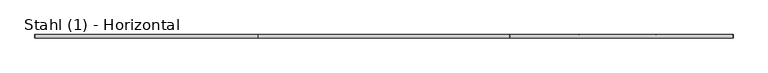
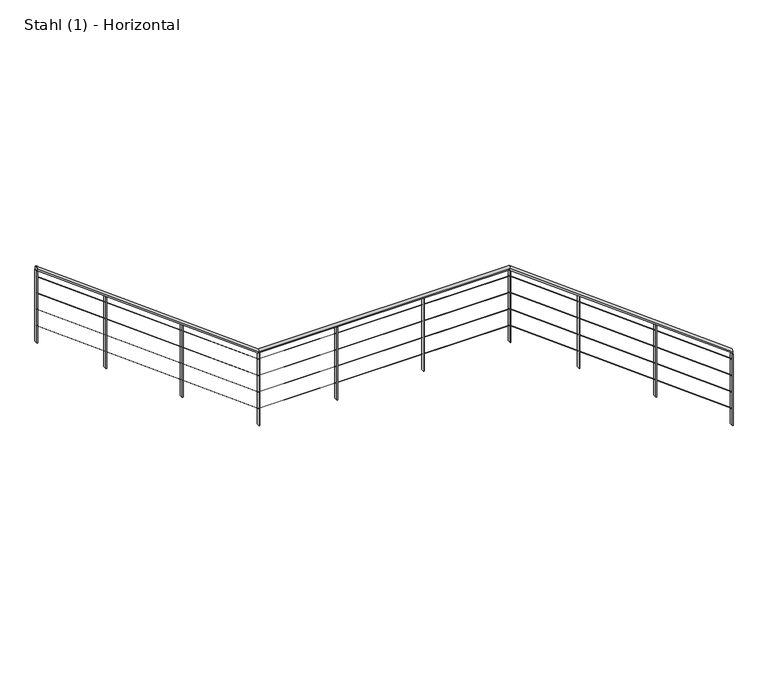
"""IFC4 building model written with IfcOpenShell, lengths in millimetres: railing geometry, Stahl (1) - Horizontal."""

from ifc_helpers import new_model, si_unit, frame, origin, place, context, project, spatial, polyline, ellipse_curve, outline, extrude, source, transform, mapped, element, save
from ifc_brep_helpers import plane_surface, cylinder_surface, advanced_brep


def stahl_1_horizontal_51c3df2b(model_context):
    return source(origin(), model_context, "Body", "SolidModel", [
        advanced_brep(
        [(5557.7095454, 6533.8929131, 4785.0587002), (5557.7095454, 6573.8929131, 4785.0587002), (3001.0778009, 6533.8929131, 6690.0), (3001.0778009, 6573.8929131, 6690.0), (115.8397057, 6533.8929131, 6690.0), (115.8397057, 6573.8929131, 6690.0), (-2427.5285499, 6533.8929131, 8585.0587002), (-2427.5285499, 6573.8929131, 8585.0587002)],
        [
            (0, 1, ellipse_curve(frame((5557.7095454, 6553.8929131, 4785.0587002), z_axis=(1.0, 0.0, 0.0), x_axis=(0.0, 0.0, -1.0)), 24.9412998, 20.0)),
            (1, 0, ellipse_curve(frame((5557.7095454, 6553.8929131, 4785.0587002), z_axis=(1.0, 0.0, 0.0), x_axis=(0.0, 0.0, -1.0)), 24.9412998, 20.0)),
            (0, 2),
            (2, 3, ellipse_curve(frame((3001.0778009, 6553.8929131, 6690.0), z_axis=(0.9491793370099771, 0.0, -0.3147357402541066), x_axis=(-0.3147357402541072, 0.0, -0.9491793370099768)), 21.0708337, 20.0)),
            (3, 1),
            (3, 2, ellipse_curve(frame((3001.0778009, 6553.8929131, 6690.0), z_axis=(0.9491793370099771, 0.0, -0.3147357402541066), x_axis=(-0.3147357402541072, 0.0, -0.9491793370099768)), 21.0708337, 20.0)),
            (2, 4),
            (4, 5, ellipse_curve(frame((115.8397057, 6553.8929131, 6690.0), z_axis=(0.9491793370099769, 0.0, -0.3147357402541066), x_axis=(0.31473574025410717, 0.0, 0.9491793370099768)), 21.0708337, 20.0)),
            (5, 3),
            (5, 4, ellipse_curve(frame((115.8397057, 6553.8929131, 6690.0), z_axis=(0.9491793370099769, 0.0, -0.3147357402541066), x_axis=(0.31473574025410717, 0.0, 0.9491793370099768)), 21.0708337, 20.0)),
            (6, 7, ellipse_curve(frame((-2427.5285499, 6553.8929131, 8585.0587002), z_axis=(-1.0, 0.0, 0.0), x_axis=(0.0, 0.0, -1.0)), 24.9412998, 20.0)),
            (7, 6, ellipse_curve(frame((-2427.5285499, 6553.8929131, 8585.0587002), z_axis=(-1.0, 0.0, 0.0), x_axis=(0.0, 0.0, -1.0)), 24.9412998, 20.0)),
            (4, 6),
            (7, 5),
        ],
        [
            plane_surface(frame((5557.7095454, 6553.8929131, 4810.0), z_axis=(1.0, 0.0, 0.0), x_axis=(0.0, -1.0, 0.0))),
            cylinder_surface(frame((5545.7599189, 6553.8929131, 4793.9623434), z_axis=(0.8018828276133991, 0.0, -0.5974813225354745), x_axis=(0.0, 1.0, 0.0)), 20.0),
            cylinder_surface(frame((3007.7095454, 6553.8929131, 6690.0), z_axis=(1.0, 0.0, 0.0), x_axis=(0.0, 1.0, 0.0)), 20.0),
            plane_surface(frame((-2427.5285499, 6553.8929131, 8610.0), z_axis=(-1.0, 0.0, 0.0), x_axis=(0.0, -1.0, 0.0))),
            cylinder_surface(frame((110.5218237, 6553.8929131, 6693.9623434), z_axis=(0.8018828276133991, 0.0, -0.5974813225354746), x_axis=(0.0, 1.0, 0.0)), 20.0),
        ],
        [
            (0, [[1, 2]]),
            (1, [[-1, 3, 4, 5]]),
            (1, [[-2, -5, 6, -3]]),
            (2, [[-4, 7, 8, 9]]),
            (2, [[-6, -9, 10, -7]]),
            (3, [[11, 12]]),
            (4, [[-8, 13, -12, 14]]),
            (4, [[-10, -14, -11, -13]]),
        ],
    ),
        advanced_brep(
        [(5557.7095454, 6552.3929131, 4688.1294025), (5557.7095454, 6555.3929131, 4688.1294025), (3007.2121645, 6552.3929131, 6588.5), (3007.2121645, 6555.3929131, 6588.5), (121.9740693, 6552.3929131, 6588.5), (121.9740693, 6555.3929131, 6588.5), (-2427.5285499, 6552.3929131, 8488.1294025), (-2427.5285499, 6555.3929131, 8488.1294025)],
        [
            (0, 1, ellipse_curve(frame((5557.7095454, 6553.8929131, 4688.1294025), z_axis=(1.0, 0.0, 0.0), x_axis=(0.0, 0.0, -1.0)), 1.8705975, 1.5)),
            (1, 0, ellipse_curve(frame((5557.7095454, 6553.8929131, 4688.1294025), z_axis=(1.0, 0.0, 0.0), x_axis=(0.0, 0.0, -1.0)), 1.8705975, 1.5)),
            (0, 2),
            (2, 3, ellipse_curve(frame((3007.2121645, 6553.8929131, 6588.5), z_axis=(0.9491793370099771, 0.0, -0.3147357402541066), x_axis=(-0.3147357402541072, 0.0, -0.9491793370099768)), 1.5803125, 1.5)),
            (3, 1),
            (3, 2, ellipse_curve(frame((3007.2121645, 6553.8929131, 6588.5), z_axis=(0.9491793370099771, 0.0, -0.3147357402541066), x_axis=(-0.3147357402541072, 0.0, -0.9491793370099768)), 1.5803125, 1.5)),
            (2, 4),
            (4, 5, ellipse_curve(frame((121.9740693, 6553.8929131, 6588.5), z_axis=(0.9491793370099769, 0.0, -0.3147357402541066), x_axis=(0.31473574025410717, 0.0, 0.9491793370099768)), 1.5803125, 1.5)),
            (5, 3),
            (5, 4, ellipse_curve(frame((121.9740693, 6553.8929131, 6588.5), z_axis=(0.9491793370099769, 0.0, -0.3147357402541066), x_axis=(0.31473574025410717, 0.0, 0.9491793370099768)), 1.5803125, 1.5)),
            (6, 7, ellipse_curve(frame((-2427.5285499, 6553.8929131, 8488.1294025), z_axis=(-1.0, 0.0, 0.0), x_axis=(0.0, 0.0, -1.0)), 1.8705975, 1.5)),
            (7, 6, ellipse_curve(frame((-2427.5285499, 6553.8929131, 8488.1294025), z_axis=(-1.0, 0.0, 0.0), x_axis=(0.0, 0.0, -1.0)), 1.8705975, 1.5)),
            (4, 6),
            (7, 5),
        ],
        [
            plane_surface(frame((5557.7095454, 6553.8929131, 4690.0), z_axis=(1.0, 0.0, 0.0), x_axis=(0.0, -1.0, 0.0))),
            cylinder_surface(frame((5556.8133234, 6553.8929131, 4688.7971758), z_axis=(0.8018828276133991, 0.0, -0.5974813225354745), x_axis=(0.0, 1.0, 0.0)), 1.5),
            cylinder_surface(frame((3007.7095454, 6553.8929131, 6588.5), z_axis=(1.0, 0.0, 0.0), x_axis=(0.0, 1.0, 0.0)), 1.5),
            plane_surface(frame((-2427.5285499, 6553.8929131, 8490.0), z_axis=(-1.0, 0.0, 0.0), x_axis=(0.0, -1.0, 0.0))),
            cylinder_surface(frame((121.5752281, 6553.8929131, 6588.7971758), z_axis=(0.8018828276133991, 0.0, -0.5974813225354746), x_axis=(0.0, 1.0, 0.0)), 1.5),
        ],
        [
            (0, [[1, 2]]),
            (1, [[-1, 3, 4, 5]]),
            (1, [[-2, -5, 6, -3]]),
            (2, [[-4, 7, 8, 9]]),
            (2, [[-6, -9, 10, -7]]),
            (3, [[11, 12]]),
            (4, [[-8, 13, -12, 14]]),
            (4, [[-10, -14, -11, -13]]),
        ],
    ),
        advanced_brep(
        [(5557.7095454, 6552.3929131, 4488.1294025), (5557.7095454, 6555.3929131, 4488.1294025), (3007.2121645, 6552.3929131, 6388.5), (3007.2121645, 6555.3929131, 6388.5), (121.9740693, 6552.3929131, 6388.5), (121.9740693, 6555.3929131, 6388.5), (-2427.5285499, 6552.3929131, 8288.1294025), (-2427.5285499, 6555.3929131, 8288.1294025)],
        [
            (0, 1, ellipse_curve(frame((5557.7095454, 6553.8929131, 4488.1294025), z_axis=(1.0, 0.0, 0.0), x_axis=(0.0, 0.0, -1.0)), 1.8705975, 1.5)),
            (1, 0, ellipse_curve(frame((5557.7095454, 6553.8929131, 4488.1294025), z_axis=(1.0, 0.0, 0.0), x_axis=(0.0, 0.0, -1.0)), 1.8705975, 1.5)),
            (0, 2),
            (2, 3, ellipse_curve(frame((3007.2121645, 6553.8929131, 6388.5), z_axis=(0.9491793370099771, 0.0, -0.3147357402541066), x_axis=(-0.3147357402541072, 0.0, -0.9491793370099768)), 1.5803125, 1.5)),
            (3, 1),
            (3, 2, ellipse_curve(frame((3007.2121645, 6553.8929131, 6388.5), z_axis=(0.9491793370099771, 0.0, -0.3147357402541066), x_axis=(-0.3147357402541072, 0.0, -0.9491793370099768)), 1.5803125, 1.5)),
            (2, 4),
            (4, 5, ellipse_curve(frame((121.9740693, 6553.8929131, 6388.5), z_axis=(0.9491793370099769, 0.0, -0.3147357402541066), x_axis=(0.31473574025410717, 0.0, 0.9491793370099768)), 1.5803125, 1.5)),
            (5, 3),
            (5, 4, ellipse_curve(frame((121.9740693, 6553.8929131, 6388.5), z_axis=(0.9491793370099769, 0.0, -0.3147357402541066), x_axis=(0.31473574025410717, 0.0, 0.9491793370099768)), 1.5803125, 1.5)),
            (6, 7, ellipse_curve(frame((-2427.5285499, 6553.8929131, 8288.1294025), z_axis=(-1.0, 0.0, 0.0), x_axis=(0.0, 0.0, -1.0)), 1.8705975, 1.5)),
            (7, 6, ellipse_curve(frame((-2427.5285499, 6553.8929131, 8288.1294025), z_axis=(-1.0, 0.0, 0.0), x_axis=(0.0, 0.0, -1.0)), 1.8705975, 1.5)),
            (4, 6),
            (7, 5),
        ],
        [
            plane_surface(frame((5557.7095454, 6553.8929131, 4490.0), z_axis=(1.0, 0.0, 0.0), x_axis=(0.0, -1.0, 0.0))),
            cylinder_surface(frame((5556.8133234, 6553.8929131, 4488.7971758), z_axis=(0.8018828276133991, 0.0, -0.5974813225354745), x_axis=(0.0, 1.0, 0.0)), 1.5),
            cylinder_surface(frame((3007.7095454, 6553.8929131, 6388.5), z_axis=(1.0, 0.0, 0.0), x_axis=(0.0, 1.0, 0.0)), 1.5),
            plane_surface(frame((-2427.5285499, 6553.8929131, 8290.0), z_axis=(-1.0, 0.0, 0.0), x_axis=(0.0, -1.0, 0.0))),
            cylinder_surface(frame((121.5752281, 6553.8929131, 6388.7971758), z_axis=(0.8018828276133991, 0.0, -0.5974813225354746), x_axis=(0.0, 1.0, 0.0)), 1.5),
        ],
        [
            (0, [[1, 2]]),
            (1, [[-1, 3, 4, 5]]),
            (1, [[-2, -5, 6, -3]]),
            (2, [[-4, 7, 8, 9]]),
            (2, [[-6, -9, 10, -7]]),
            (3, [[11, 12]]),
            (4, [[-8, 13, -12, 14]]),
            (4, [[-10, -14, -11, -13]]),
        ],
    ),
        advanced_brep(
        [(5557.7095454, 6552.3929131, 4288.1294025), (5557.7095454, 6555.3929131, 4288.1294025), (3007.2121645, 6552.3929131, 6188.5), (3007.2121645, 6555.3929131, 6188.5), (121.9740693, 6552.3929131, 6188.5), (121.9740693, 6555.3929131, 6188.5), (-2427.5285499, 6552.3929131, 8088.1294025), (-2427.5285499, 6555.3929131, 8088.1294025)],
        [
            (0, 1, ellipse_curve(frame((5557.7095454, 6553.8929131, 4288.1294025), z_axis=(1.0, 0.0, 0.0), x_axis=(0.0, 0.0, -1.0)), 1.8705975, 1.5)),
            (1, 0, ellipse_curve(frame((5557.7095454, 6553.8929131, 4288.1294025), z_axis=(1.0, 0.0, 0.0), x_axis=(0.0, 0.0, -1.0)), 1.8705975, 1.5)),
            (0, 2),
            (2, 3, ellipse_curve(frame((3007.2121645, 6553.8929131, 6188.5), z_axis=(0.9491793370099771, 0.0, -0.3147357402541066), x_axis=(-0.3147357402541072, 0.0, -0.9491793370099768)), 1.5803125, 1.5)),
            (3, 1),
            (3, 2, ellipse_curve(frame((3007.2121645, 6553.8929131, 6188.5), z_axis=(0.9491793370099771, 0.0, -0.3147357402541066), x_axis=(-0.3147357402541072, 0.0, -0.9491793370099768)), 1.5803125, 1.5)),
            (2, 4),
            (4, 5, ellipse_curve(frame((121.9740693, 6553.8929131, 6188.5), z_axis=(0.9491793370099769, 0.0, -0.3147357402541066), x_axis=(0.31473574025410717, 0.0, 0.9491793370099768)), 1.5803125, 1.5)),
            (5, 3),
            (5, 4, ellipse_curve(frame((121.9740693, 6553.8929131, 6188.5), z_axis=(0.9491793370099769, 0.0, -0.3147357402541066), x_axis=(0.31473574025410717, 0.0, 0.9491793370099768)), 1.5803125, 1.5)),
            (6, 7, ellipse_curve(frame((-2427.5285499, 6553.8929131, 8088.1294025), z_axis=(-1.0, 0.0, 0.0), x_axis=(0.0, 0.0, -1.0)), 1.8705975, 1.5)),
            (7, 6, ellipse_curve(frame((-2427.5285499, 6553.8929131, 8088.1294025), z_axis=(-1.0, 0.0, 0.0), x_axis=(0.0, 0.0, -1.0)), 1.8705975, 1.5)),
            (4, 6),
            (7, 5),
        ],
        [
            plane_surface(frame((5557.7095454, 6553.8929131, 4290.0), z_axis=(1.0, 0.0, 0.0), x_axis=(0.0, -1.0, 0.0))),
            cylinder_surface(frame((5556.8133234, 6553.8929131, 4288.7971758), z_axis=(0.8018828276133991, 0.0, -0.5974813225354745), x_axis=(0.0, 1.0, 0.0)), 1.5),
            cylinder_surface(frame((3007.7095454, 6553.8929131, 6188.5), z_axis=(1.0, 0.0, 0.0), x_axis=(0.0, 1.0, 0.0)), 1.5),
            plane_surface(frame((-2427.5285499, 6553.8929131, 8090.0), z_axis=(-1.0, 0.0, 0.0), x_axis=(0.0, -1.0, 0.0))),
            cylinder_surface(frame((121.5752281, 6553.8929131, 6188.7971758), z_axis=(0.8018828276133991, 0.0, -0.5974813225354746), x_axis=(0.0, 1.0, 0.0)), 1.5),
        ],
        [
            (0, [[1, 2]]),
            (1, [[-1, 3, 4, 5]]),
            (1, [[-2, -5, 6, -3]]),
            (2, [[-4, 7, 8, 9]]),
            (2, [[-6, -9, 10, -7]]),
            (3, [[11, 12]]),
            (4, [[-8, 13, -12, 14]]),
            (4, [[-10, -14, -11, -13]]),
        ],
    ),
        advanced_brep(
        [(5557.7095454, 6552.3929131, 4088.1294025), (5557.7095454, 6555.3929131, 4088.1294025), (3007.2121645, 6552.3929131, 5988.5), (3007.2121645, 6555.3929131, 5988.5), (121.9740693, 6552.3929131, 5988.5), (121.9740693, 6555.3929131, 5988.5), (-2427.5285499, 6552.3929131, 7888.1294025), (-2427.5285499, 6555.3929131, 7888.1294025)],
        [
            (0, 1, ellipse_curve(frame((5557.7095454, 6553.8929131, 4088.1294025), z_axis=(1.0, 0.0, 0.0), x_axis=(0.0, 0.0, -1.0)), 1.8705975, 1.5)),
            (1, 0, ellipse_curve(frame((5557.7095454, 6553.8929131, 4088.1294025), z_axis=(1.0, 0.0, 0.0), x_axis=(0.0, 0.0, -1.0)), 1.8705975, 1.5)),
            (0, 2),
            (2, 3, ellipse_curve(frame((3007.2121645, 6553.8929131, 5988.5), z_axis=(0.9491793370099771, 0.0, -0.3147357402541066), x_axis=(-0.3147357402541072, 0.0, -0.9491793370099768)), 1.5803125, 1.5)),
            (3, 1),
            (3, 2, ellipse_curve(frame((3007.2121645, 6553.8929131, 5988.5), z_axis=(0.9491793370099771, 0.0, -0.3147357402541066), x_axis=(-0.3147357402541072, 0.0, -0.9491793370099768)), 1.5803125, 1.5)),
            (2, 4),
            (4, 5, ellipse_curve(frame((121.9740693, 6553.8929131, 5988.5), z_axis=(0.9491793370099769, 0.0, -0.3147357402541066), x_axis=(0.31473574025410717, 0.0, 0.9491793370099768)), 1.5803125, 1.5)),
            (5, 3),
            (5, 4, ellipse_curve(frame((121.9740693, 6553.8929131, 5988.5), z_axis=(0.9491793370099769, 0.0, -0.3147357402541066), x_axis=(0.31473574025410717, 0.0, 0.9491793370099768)), 1.5803125, 1.5)),
            (6, 7, ellipse_curve(frame((-2427.5285499, 6553.8929131, 7888.1294025), z_axis=(-1.0, 0.0, 0.0), x_axis=(0.0, 0.0, -1.0)), 1.8705975, 1.5)),
            (7, 6, ellipse_curve(frame((-2427.5285499, 6553.8929131, 7888.1294025), z_axis=(-1.0, 0.0, 0.0), x_axis=(0.0, 0.0, -1.0)), 1.8705975, 1.5)),
            (4, 6),
            (7, 5),
        ],
        [
            plane_surface(frame((5557.7095454, 6553.8929131, 4090.0), z_axis=(1.0, 0.0, 0.0), x_axis=(0.0, -1.0, 0.0))),
            cylinder_surface(frame((5556.8133234, 6553.8929131, 4088.7971758), z_axis=(0.8018828276133991, 0.0, -0.5974813225354745), x_axis=(0.0, 1.0, 0.0)), 1.5),
            cylinder_surface(frame((3007.7095454, 6553.8929131, 5988.5), z_axis=(1.0, 0.0, 0.0), x_axis=(0.0, 1.0, 0.0)), 1.5),
            plane_surface(frame((-2427.5285499, 6553.8929131, 7890.0), z_axis=(-1.0, 0.0, 0.0), x_axis=(0.0, -1.0, 0.0))),
            cylinder_surface(frame((121.5752281, 6553.8929131, 5988.7971758), z_axis=(0.8018828276133991, 0.0, -0.5974813225354746), x_axis=(0.0, 1.0, 0.0)), 1.5),
        ],
        [
            (0, [[1, 2]]),
            (1, [[-1, 3, 4, 5]]),
            (1, [[-2, -5, 6, -3]]),
            (2, [[-4, 7, 8, 9]]),
            (2, [[-6, -9, 10, -7]]),
            (3, [[11, 12]]),
            (4, [[-8, 13, -12, 14]]),
            (4, [[-10, -14, -11, -13]]),
        ],
    ),
        extrude(outline(polyline([(7100.3448276, -1632.1492395), (7967.4818358, -1632.1492395), (7973.4426202, -1640.1492395), (7100.3448276, -1640.1492395), (7100.3448276, -1632.1492395)])), frame((0.0, 6533.8929131, 0.0), z_axis=(0.0, 1.0, 0.0), x_axis=(0.0, 0.0, 1.0)), (0.0, 0.0, 1.0), 40.0),
        extrude(outline(polyline([(6445.1724138, -752.8388947), (7312.3094221, -752.8388947), (7318.2702064, -760.8388947), (6445.1724138, -760.8388947), (6445.1724138, -752.8388947)])), frame((0.0, 6533.8929131, 0.0), z_axis=(0.0, 1.0, 0.0), x_axis=(0.0, 0.0, 1.0)), (0.0, 0.0, 1.0), 40.0),
        extrude(outline(polyline([(1021.8901693, 6573.8929131), (1021.8901693, 6533.8929131), (1013.8901693, 6533.8929131), (1013.8901693, 6573.8929131), (1021.8901693, 6573.8929131)])), frame((0.0, 0.0, 5790.0), z_axis=(0.0, 0.0, 1.0), x_axis=(1.0, 0.0, 0.0)), (0.0, 0.0, 1.0), 880.0),
        extrude(outline(polyline([(2016.7998573, 6573.8929131), (2016.7998573, 6533.8929131), (2008.7998573, 6533.8929131), (2008.7998573, 6573.8929131), (2016.7998573, 6573.8929131)])), frame((0.0, 0.0, 5790.0), z_axis=(0.0, 0.0, 1.0), x_axis=(1.0, 0.0, 0.0)), (0.0, 0.0, 1.0), 880.0),
        extrude(outline(polyline([(5200.3448276, 3803.0888557), (6067.4818358, 3803.0888557), (6073.4426202, 3795.0888557), (5200.3448276, 3795.0888557), (5200.3448276, 3803.0888557)])), frame((0.0, 6533.8929131, 0.0), z_axis=(0.0, 1.0, 0.0), x_axis=(0.0, 0.0, 1.0)), (0.0, 0.0, 1.0), 40.0),
        extrude(outline(polyline([(4545.1724138, 4682.3992005), (5412.3094221, 4682.3992005), (5418.2702064, 4674.3992005), (4545.1724138, 4674.3992005), (4545.1724138, 4682.3992005)])), frame((0.0, 6533.8929131, 0.0), z_axis=(0.0, 1.0, 0.0), x_axis=(0.0, 0.0, 1.0)), (0.0, 0.0, 1.0), 40.0),
        extrude(outline(polyline([(126.4714501, 6573.8929131), (126.4714501, 6533.8929131), (118.4714501, 6533.8929131), (118.4714501, 6573.8929131), (126.4714501, 6573.8929131)])), frame((0.0, 0.0, 5790.0), z_axis=(0.0, 0.0, 1.0), x_axis=(1.0, 0.0, 0.0)), (0.0, 0.0, 1.0), 880.0),
        extrude(outline(polyline([(5790.0, 3011.7095454), (6657.1370083, 3011.7095454), (6663.0977926, 3003.7095454), (5790.0, 3003.7095454), (5790.0, 3011.7095454)])), frame((0.0, 6533.8929131, 0.0), z_axis=(0.0, 1.0, 0.0), x_axis=(0.0, 0.0, 1.0)), (0.0, 0.0, 1.0), 40.0),
        extrude(outline(polyline([(7690.0, -2423.5285499), (8557.1370083, -2423.5285499), (8563.0977926, -2431.5285499), (7690.0, -2431.5285499), (7690.0, -2423.5285499)])), frame((0.0, 6533.8929131, 0.0), z_axis=(0.0, 1.0, 0.0), x_axis=(0.0, 0.0, 1.0)), (0.0, 0.0, 1.0), 40.0),
        extrude(outline(polyline([(3890.0, 5561.7095454), (4757.1370083, 5561.7095454), (4763.0977926, 5553.7095454), (3890.0, 5553.7095454), (3890.0, 5561.7095454)])), frame((0.0, 6533.8929131, 0.0), z_axis=(0.0, 1.0, 0.0), x_axis=(0.0, 0.0, 1.0)), (0.0, 0.0, 1.0), 40.0),
    ])


if __name__ == "__main__":
    model = new_model("IFC4")
    model_context = context("Model", 3, world=origin())
    ifc_project = project(units=[si_unit("LENGTHUNIT", "METRE", prefix="MILLI")], contexts=[model_context])
    site = spatial("IfcSite", under=ifc_project)
    building = spatial("IfcBuilding", under=site)
    placement = place(None, origin())
    stahl_1_horizontal_shape = stahl_1_horizontal_51c3df2b(model_context)
    element("IfcRailing", 1, ObjectType="Stahl (1) - Horizontal", at=placement, inside=building, context=model_context, shape_type="MappedRepresentation", body=[
        mapped(stahl_1_horizontal_shape, transform((0.0, 0.0, 0.0), x_axis=(1.0, 0.0, 0.0), y_axis=(0.0, 1.0, 0.0), z_axis=(0.0, 0.0, 1.0))),
    ])
    save(model, "model.ifc")
